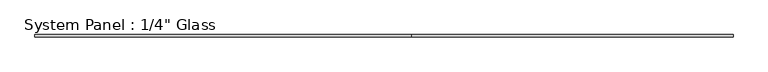
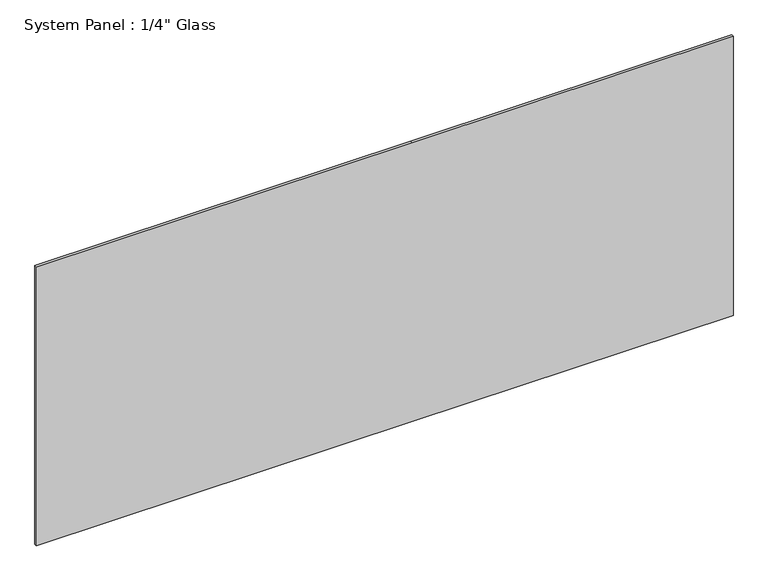
"""IFC4 building model written with IfcOpenShell, lengths in millimetres: plate geometry."""

from ifc_helpers import new_model, si_unit, frame, origin, place, context, project, spatial, polyline, outline, extrude, source, transform, mapped, element, save


def plate_93f49e77(model_context):
    return source(origin(), model_context, "Body", "SweptSolid", [
        extrude(outline(polyline([(0.0, -918.0091185), (0.0, 72.5908815), (0.0, 918.0091185), (777.875, 918.0091185), (777.875, 72.5908815), (777.875, -918.0091185), (0.0, -918.0091185)])), frame((0.0, -3.175, 0.0), z_axis=(0.0, 1.0, 0.0), x_axis=(0.0, 0.0, 1.0)), (0.0, 0.0, 1.0), 6.35),
    ])


if __name__ == "__main__":
    model = new_model("IFC4")
    model_context = context("Model", 3, world=origin())
    ifc_project = project(units=[si_unit("LENGTHUNIT", "METRE", prefix="MILLI")], contexts=[model_context])
    site = spatial("IfcSite", under=ifc_project)
    building = spatial("IfcBuilding", under=site)
    placement = place(None, origin())
    plate_shape = plate_93f49e77(model_context)
    element("IfcPlate", 1, ObjectType="System Panel : 1/4\" Glass", at=placement, inside=building, context=model_context, shape_type="MappedRepresentation", body=[
        mapped(plate_shape, transform((0.0, 0.0, 0.0), x_axis=(1.0, 0.0, 0.0), y_axis=(0.0, 1.0, 0.0), z_axis=(0.0, 0.0, 1.0))),
    ])
    save(model, "model.ifc")
